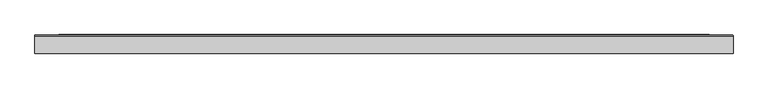
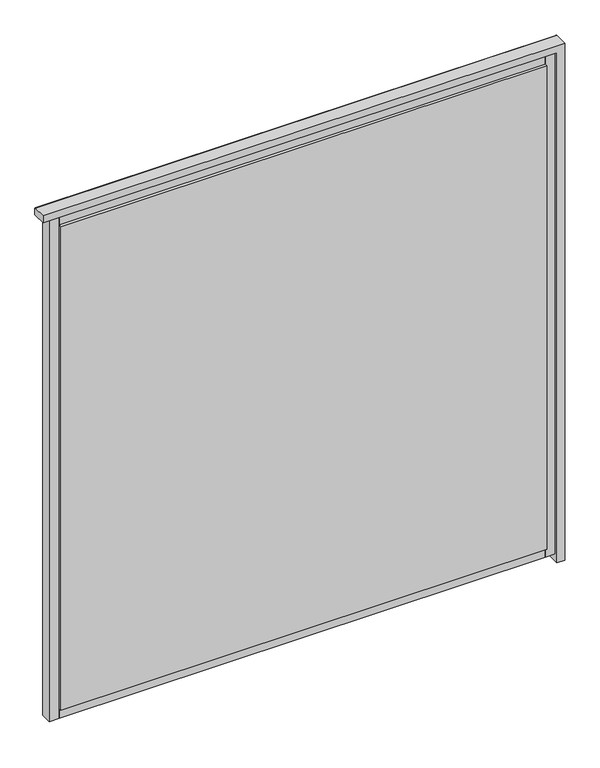
"""IFC4 building model written with IfcOpenShell, lengths in millimetres: plate geometry."""

from ifc_helpers import new_model, si_unit, point, frame, frame_2d, origin, place, context, project, spatial, polyline, circle_curve, ellipse_curve, trimmed, segment, composite_curve, outline, extrude, source, transform, mapped, element, save
from ifc_brep_helpers import plane_surface, cylinder_surface, advanced_brep


def plate_a26d63c5(model_context):
    return source(origin(), model_context, "Body", "SolidModel", [
        advanced_brep(
        [(492.4999995, 12.8070793, -25.0), (493.4999995, 13.8070793, -25.0), (505.9997561, 13.8070793, -25.0), (507.4997561, 12.3070793, -25.0), (507.4997561, -14.0, -25.0), (492.4997568, -14.0, -25.0), (492.4999995, 12.8070793, 1035.0), (493.4999995, 13.8070793, 1036.0002427), (-517.4997568, 13.8070793, 1036.0002427), (-517.4997568, 13.8070793, 1048.4999993), (505.9997561, 13.8070793, 1048.4999993), (507.4997561, 12.3070793, 1049.9999993), (507.4997561, -14.0, 1049.9999993), (-517.4997568, -14.0, 1049.9999993), (-517.4997568, -14.0, 1035.0), (492.4997568, -14.0, 1035.0), (-517.4997568, 12.8070793, 1035.0), (-517.4997568, 12.3070793, 1049.9999993)],
        [
            (0, 1, circle_curve(frame((493.4999995, 12.8070793, -25.0), z_axis=(0.0, 0.0, -1.0), x_axis=(-1.0, 0.0, 0.0)), 1.0)),
            (1, 2),
            (2, 3, circle_curve(frame((505.9997561, 12.3070793, -25.0), z_axis=(0.0, 0.0, -1.0), x_axis=(-1.0, 0.0, 0.0)), 1.5)),
            (3, 4),
            (4, 5),
            (5, 0),
            (0, 6),
            (6, 7, ellipse_curve(frame((493.4999995, 12.8070793, 1036.0002427), z_axis=(0.7071067811865475, 0.0, -0.7071067811865475), x_axis=(-0.7071067811865474, 0.0, -0.7071067811865476)), 1.4142136, 1.0)),
            (7, 1),
            (7, 8),
            (8, 9),
            (9, 10),
            (10, 2),
            (10, 11, ellipse_curve(frame((505.9997561, 12.3070793, 1048.4999993), z_axis=(0.7071067811865475, 0.0, -0.7071067811865475), x_axis=(-0.7071067811865474, 0.0, -0.7071067811865476)), 2.1213203, 1.5)),
            (11, 3),
            (11, 12),
            (12, 4),
            (12, 13),
            (13, 14),
            (14, 15),
            (15, 5),
            (15, 6),
            (16, 14),
            (13, 17),
            (17, 9, circle_curve(frame((-517.4997568, 12.3070793, 1048.4999993), z_axis=(-1.0, 0.0, 0.0), x_axis=(0.0, 0.0, -1.0)), 1.5)),
            (8, 16, circle_curve(frame((-517.4997568, 12.8070793, 1036.0002427), z_axis=(-1.0, 0.0, 0.0), x_axis=(0.0, 0.0, -1.0)), 1.0)),
            (6, 16),
            (17, 11),
        ],
        [
            plane_surface(frame((517.4997568, 0.0, -25.0), z_axis=(0.0, 0.0, -1.0), x_axis=(0.0, -1.0, 0.0))),
            cylinder_surface(frame((493.4999995, 12.8070793, -25.0), z_axis=(0.0, 0.0, -1.0), x_axis=(-1.0, 0.0, 0.0)), 1.0),
            plane_surface(frame((493.4999995, 13.8070793, -25.0), z_axis=(0.0, 1.0, 0.0), x_axis=(0.0, 0.0, 1.0))),
            cylinder_surface(frame((505.9997561, 12.3070793, -25.0), z_axis=(0.0, 0.0, -1.0), x_axis=(-1.0, 0.0, 0.0)), 1.5),
            plane_surface(frame((507.4997561, 12.3070793, -25.0), z_axis=(1.0, 0.0, 0.0), x_axis=(0.0, 0.0, 1.0))),
            plane_surface(frame((507.4997561, -14.0, -25.0), z_axis=(0.0, -1.0, 0.0), x_axis=(0.0, 0.0, 1.0))),
            plane_surface(frame((492.4997568, -14.0, -25.0), z_axis=(-1.0, 0.0, 0.0), x_axis=(0.0, 0.0, 1.0))),
            plane_surface(frame((-517.4997568, 0.0, 1060.0), z_axis=(-1.0, 0.0, 0.0), x_axis=(0.0, -1.0, 0.0))),
            cylinder_surface(frame((517.4997568, 12.8070793, 1036.0002427), z_axis=(1.0, 0.0, 0.0), x_axis=(0.0, 0.0, -1.0)), 1.0),
            cylinder_surface(frame((517.4997568, 12.3070793, 1048.4999993), z_axis=(1.0, 0.0, 0.0), x_axis=(0.0, 0.0, -1.0)), 1.5),
            plane_surface(frame((507.4997561, 12.3070793, 1049.9999993), z_axis=(0.0, 0.0, 1.0), x_axis=(-1.0, 0.0, 0.0))),
            plane_surface(frame((492.4997568, -14.0, 1035.0), z_axis=(0.0, 0.0, -1.0), x_axis=(-1.0, 0.0, 0.0))),
        ],
        [
            (0, [[1, 2, 3, 4, 5, 6]]),
            (1, [[-1, 7, 8, 9]]),
            (2, [[-2, -9, 10, 11, 12, 13]]),
            (3, [[-3, -13, 14, 15]]),
            (4, [[-4, -15, 16, 17]]),
            (5, [[-5, -17, 18, 19, 20, 21]]),
            (6, [[-6, -21, 22, -7]]),
            (7, [[23, -19, 24, 25, -11, 26]]),
            (8, [[-8, 27, -26, -10]]),
            (9, [[-14, -12, -25, 28]]),
            (10, [[-16, -28, -24, -18]]),
            (11, [[-22, -20, -23, -27]]),
        ],
    ),
        extrude(outline(polyline([(472.4997568, 14.0), (472.4997568, 8.0), (-482.4997568, 8.0), (-482.4997568, 14.0), (472.4997568, 14.0)])), frame((0.0, 0.0, 10.0), z_axis=(0.0, 0.0, 1.0), x_axis=(1.0, 0.0, 0.0)), (0.0, 0.0, 1.0), 1005.0),
        extrude(outline(polyline([(472.4997568, -8.0), (472.4997568, -14.0), (-482.4997568, -14.0), (-482.4997568, -8.0), (472.4997568, -8.0)])), frame((0.0, 0.0, 10.0), z_axis=(0.0, 0.0, 1.0), x_axis=(1.0, 0.0, 0.0)), (0.0, 0.0, 1.0), 1005.0),
        extrude(outline(composite_curve([segment(polyline([(13.499631, -10.0), (-8.0, -10.0), (-8.0, 10.0), (13.499631, 10.0)]), True, "CONTINUOUS"), segment(trimmed(circle_curve(frame_2d((45.6328576, 0.0)), 33.6532948), [point((13.499631, 10.0))], [point((13.499631, -10.0))], True, "CARTESIAN"), True, "CONTINUOUS")], self_intersect=False)), frame((-482.4997568, 0.0, 0.0), z_axis=(1.0, 0.0, 0.0), x_axis=(0.0, 1.0, 0.0)), (0.0, 0.0, 1.0), 954.9995136),
        extrude(outline(composite_curve([segment(trimmed(circle_curve(frame_2d((45.6328576, 1025.0)), 33.6532948), [point((13.499631, 1035.0))], [point((13.499631, 1015.0))], True, "CARTESIAN"), True, "CONTINUOUS"), segment(polyline([(13.499631, 1015.0), (-8.0, 1015.0), (-8.0, 1035.0), (13.499631, 1035.0)]), True, "CONTINUOUS")], self_intersect=False)), frame((-482.4997568, 0.0, 0.0), z_axis=(1.0, 0.0, 0.0), x_axis=(0.0, 1.0, 0.0)), (0.0, 0.0, 1.0), 954.9995136),
        extrude(outline(composite_curve([segment(polyline([(492.4997568, -8.0), (472.4997568, -8.0), (472.4997568, 13.5022002)]), True, "CONTINUOUS"), segment(trimmed(circle_curve(frame_2d((482.426245, 45.5022747)), 33.5043271), [point((472.4997568, 13.5022002))], [point((492.4997568, 13.548178))], True, "CARTESIAN"), True, "CONTINUOUS"), segment(polyline([(492.4997568, 13.548178), (492.4997568, -8.0)]), True, "CONTINUOUS")], self_intersect=False)), frame((0.0, 0.0, -10.0), z_axis=(0.0, 0.0, 1.0), x_axis=(1.0, 0.0, 0.0)), (0.0, 0.0, 1.0), 1045.0),
        extrude(outline(composite_curve([segment(polyline([(-482.4997568, -8.0), (-502.4997568, -8.0), (-502.4997568, 13.499631)]), True, "CONTINUOUS"), segment(trimmed(circle_curve(frame_2d((-492.4997568, 45.6328576)), 33.6532948), [point((-502.4997568, 13.499631))], [point((-482.4997568, 13.499631))], True, "CARTESIAN"), True, "CONTINUOUS"), segment(polyline([(-482.4997568, 13.499631), (-482.4997568, -8.0)]), True, "CONTINUOUS")], self_intersect=False)), frame((0.0, 0.0, -10.0), z_axis=(0.0, 0.0, 1.0), x_axis=(1.0, 0.0, 0.0)), (0.0, 0.0, 1.0), 1045.0),
    ])


if __name__ == "__main__":
    model = new_model("IFC4")
    model_context = context("Model", 3, world=origin())
    ifc_project = project(units=[si_unit("LENGTHUNIT", "METRE", prefix="MILLI")], contexts=[model_context])
    site = spatial("IfcSite", under=ifc_project)
    building = spatial("IfcBuilding", under=site)
    placement = place(None, origin())
    plate_shape = plate_a26d63c5(model_context)
    element("IfcPlate", 1, at=placement, inside=building, context=model_context, shape_type="MappedRepresentation", body=[
        mapped(plate_shape, transform((0.0, 0.0, 0.0), x_axis=(1.0, 0.0, 0.0), y_axis=(0.0, 1.0, 0.0), z_axis=(0.0, 0.0, 1.0))),
    ])
    save(model, "model.ifc")
